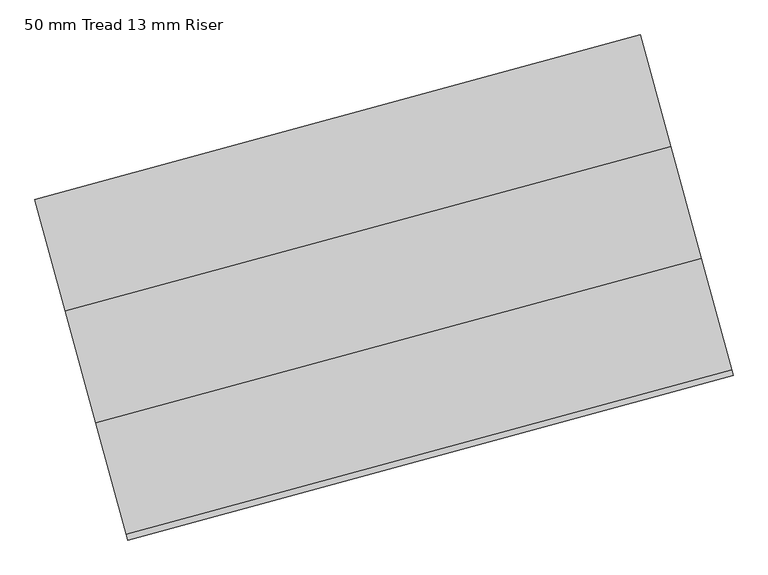
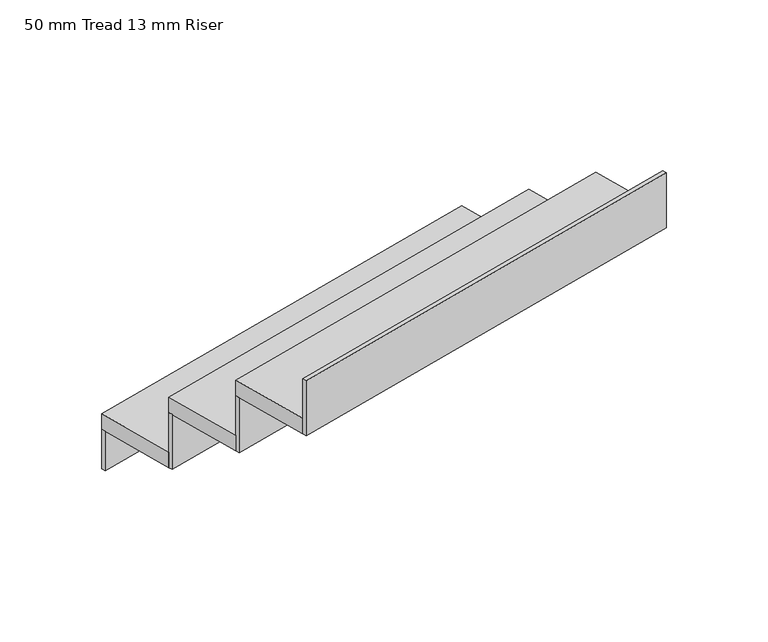
"""IFC4 building model written with IfcOpenShell, lengths in millimetres: stair flight geometry, 50 mm Tread 13 mm Riser."""

from ifc_helpers import new_model, si_unit, frame, origin, origin_with_axes, place, context, project, spatial, polyline, outline, extrude, source, transform, mapped, element, save


def stair_flight_50_mm_tread_13_mm_riser_47848863(model_context):
    return source(origin(), model_context, "Body", "SweptSolid", [
        extrude(outline(polyline([(201524.3758404, 42565.8597755), (201521.0972299, 42577.9221431), (202827.5416204, 42933.0201115), (202830.8202309, 42920.9577438), (201524.3758404, 42565.8597755)])), origin_with_axes(), (0.0, 0.0, 1.0), 127.7777778),
        extrude(outline(polyline([(202893.1138296, 42691.7727584), (201586.6694392, 42336.67479), (201521.0972299, 42577.9221431), (202827.5416204, 42933.0201115), (202893.1138296, 42691.7727584)])), frame((0.0, 0.0, 127.7777778), z_axis=(0.0, 0.0, 1.0), x_axis=(1.0, 0.0, 0.0)), (0.0, 0.0, 1.0), 50.0),
        extrude(outline(polyline([(201589.9480496, 42324.6124224), (201586.6694392, 42336.67479), (202893.1138296, 42691.7727584), (202896.3924401, 42679.7103907), (201589.9480496, 42324.6124224)])), frame((0.0, 0.0, 127.7777778), z_axis=(0.0, 0.0, 1.0), x_axis=(1.0, 0.0, 0.0)), (0.0, 0.0, 1.0), 177.7777778),
        extrude(outline(polyline([(202958.6860389, 42450.5254053), (201652.2416484, 42095.4274369), (201586.6694392, 42336.67479), (202893.1138296, 42691.7727584), (202958.6860389, 42450.5254053)])), frame((0.0, 0.0, 305.5555556), z_axis=(0.0, 0.0, 1.0), x_axis=(1.0, 0.0, 0.0)), (0.0, 0.0, 1.0), 50.0),
        extrude(outline(polyline([(201655.5202589, 42083.3650693), (201652.2416484, 42095.4274369), (202958.6860389, 42450.5254053), (202961.9646494, 42438.4630376), (201655.5202589, 42083.3650693)])), frame((0.0, 0.0, 305.5555556), z_axis=(0.0, 0.0, 1.0), x_axis=(1.0, 0.0, 0.0)), (0.0, 0.0, 1.0), 177.7777778),
        extrude(outline(polyline([(201721.0924682, 41842.1177162), (201717.8138577, 41854.1800838), (203024.2582482, 42209.2780522), (203027.5368586, 42197.2156845), (201721.0924682, 41842.1177162)])), frame((0.0, 0.0, 483.3333333), z_axis=(0.0, 0.0, 1.0), x_axis=(1.0, 0.0, 0.0)), (0.0, 0.0, 1.0), 177.7777778),
        extrude(outline(polyline([(203024.2582482, 42209.2780522), (201717.8138577, 41854.1800838), (201652.2416484, 42095.4274369), (202958.6860389, 42450.5254053), (203024.2582482, 42209.2780522)])), frame((0.0, 0.0, 483.3333333), z_axis=(0.0, 0.0, 1.0), x_axis=(1.0, 0.0, 0.0)), (0.0, 0.0, 1.0), 50.0),
    ])


if __name__ == "__main__":
    model = new_model("IFC4")
    model_context = context("Model", 3, world=origin())
    ifc_project = project(units=[si_unit("LENGTHUNIT", "METRE", prefix="MILLI")], contexts=[model_context])
    site = spatial("IfcSite", under=ifc_project)
    building = spatial("IfcBuilding", under=site)
    placement = place(None, origin())
    stair_flight_50_mm_tread_13_mm_riser_shape = stair_flight_50_mm_tread_13_mm_riser_47848863(model_context)
    element("IfcStairFlight", 1, ObjectType="50 mm Tread 13 mm Riser", at=placement, inside=building, context=model_context, shape_type="MappedRepresentation", body=[
        mapped(stair_flight_50_mm_tread_13_mm_riser_shape, transform((0.0, 0.0, 0.0), x_axis=(1.0, 0.0, 0.0), y_axis=(0.0, 1.0, 0.0), z_axis=(0.0, 0.0, 1.0))),
    ])
    save(model, "model.ifc")
